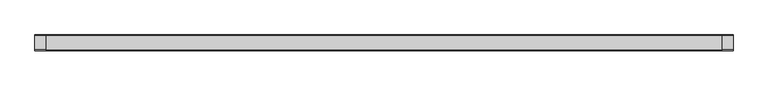
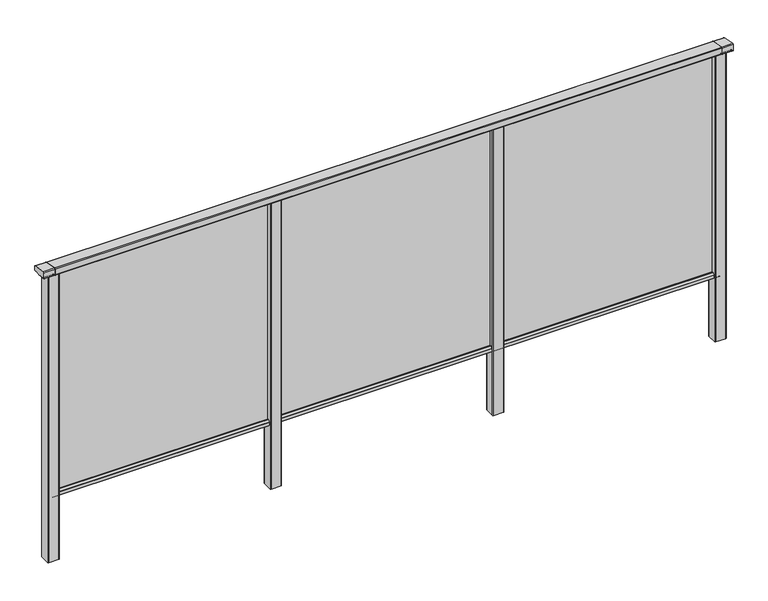
"""IFC4 building model written with IfcOpenShell, lengths in millimetres: railing geometry."""

from ifc_helpers import new_model, si_unit, point, frame, frame_2d, origin, place, context, project, spatial, polyline, circle_curve, trimmed, segment, composite_curve, outline, extrude, source, transform, mapped, element, save
from ifc_brep_helpers import plane_surface, cylinder_surface, advanced_brep


def railing_db9c48e4(model_context):
    return source(origin(), model_context, "Body", "SolidModel", [
        extrude(outline(composite_curve([segment(polyline([(8429.3630551, 1199.9544233), (8493.3630551, 1188.6694965)]), True, "CONTINUOUS"), segment(trimmed(circle_curve(frame_2d((8492.8421106, 1185.7150732)), 3.0), [point((8493.3630551, 1188.6694965))], [point((8495.8421106, 1185.7150732))], False, "CARTESIAN"), True, "CONTINUOUS"), segment(polyline([(8495.8421106, 1185.7150732), (8495.8421106, 1169.2)]), True, "CONTINUOUS"), segment(trimmed(circle_curve(frame_2d((8492.8421106, 1169.2)), 3.0), [point((8495.8421106, 1169.2))], [point((8492.8421106, 1166.2))], False, "CARTESIAN"), True, "CONTINUOUS"), segment(polyline([(8492.8421106, 1166.2), (8469.17694, 1166.2)]), True, "CONTINUOUS"), segment(trimmed(circle_curve(frame_2d((8460.8500931, 1183.2818957)), 19.003356), [point((8469.17694, 1166.2))], [point((8452.5232463, 1166.2))], False, "CARTESIAN"), True, "CONTINUOUS"), segment(polyline([(8452.5232463, 1166.2), (8428.8421106, 1166.2)]), True, "CONTINUOUS"), segment(trimmed(circle_curve(frame_2d((8428.8421106, 1169.2)), 3.0), [point((8428.8421106, 1166.2))], [point((8425.8421106, 1169.2))], False, "CARTESIAN"), True, "CONTINUOUS"), segment(polyline([(8425.8421106, 1169.2), (8425.8421106, 1197.0)]), True, "CONTINUOUS"), segment(trimmed(circle_curve(frame_2d((8428.8421106, 1197.0)), 3.0), [point((8425.8421106, 1197.0))], [point((8429.3630551, 1199.9544233))], False, "CARTESIAN"), True, "CONTINUOUS")], self_intersect=False)), frame((-428.6053075, 0.0, 0.0), z_axis=(1.0, 0.0, 0.0), x_axis=(0.0, 1.0, 0.0)), (0.0, 0.0, 1.0), 3000.0),
        extrude(outline(composite_curve([segment(polyline([(8476.5508136, 100.0), (8445.1507946, 100.0)]), True, "CONTINUOUS"), segment(trimmed(circle_curve(frame_2d((8445.1507946, 101.8)), 1.8), [point((8445.1507946, 100.0))], [point((8443.3507946, 101.8))], False, "CARTESIAN"), True, "CONTINUOUS"), segment(polyline([(8443.3507946, 101.8), (8443.3507946, 115.5269955)]), True, "CONTINUOUS"), segment(trimmed(circle_curve(frame_2d((8445.1507946, 115.5269955)), 1.8), [point((8443.3507946, 115.5269955))], [point((8443.7923399, 116.7079277))], False, "CARTESIAN"), True, "CONTINUOUS"), segment(polyline([(8443.7923399, 116.7079277), (8450.4626384, 124.3809322)]), True, "CONTINUOUS"), segment(trimmed(circle_curve(frame_2d((8451.8210931, 123.2)), 1.8), [point((8450.4626384, 124.3809322))], [point((8451.8210931, 125.0))], False, "CARTESIAN"), True, "CONTINUOUS"), segment(polyline([(8451.8210931, 125.0), (8455.5111113, 125.0), (8456.809143, 113.0), (8464.8924411, 113.0), (8466.1904978, 125.0), (8469.88054, 125.0)]), True, "CONTINUOUS"), segment(trimmed(circle_curve(frame_2d((8469.88054, 123.2)), 1.8), [point((8469.88054, 125.0))], [point((8471.2389969, 124.3809297))], False, "CARTESIAN"), True, "CONTINUOUS"), segment(polyline([(8471.2389969, 124.3809297), (8477.9092704, 116.7079252)]), True, "CONTINUOUS"), segment(trimmed(circle_curve(frame_2d((8476.5508136, 115.5269955)), 1.8), [point((8477.9092704, 116.7079252))], [point((8478.3508136, 115.5269955))], False, "CARTESIAN"), True, "CONTINUOUS"), segment(polyline([(8478.3508136, 115.5269955), (8478.3508136, 101.8)]), True, "CONTINUOUS"), segment(trimmed(circle_curve(frame_2d((8476.5508136, 101.8)), 1.8), [point((8478.3508136, 101.8))], [point((8476.5508136, 100.0))], False, "CARTESIAN"), True, "CONTINUOUS")], self_intersect=False)), frame((-428.6053075, 0.0, 0.0), z_axis=(1.0, 0.0, 0.0), x_axis=(0.0, 1.0, 0.0)), (0.0, 0.0, 1.0), 3000.0),
        extrude(outline(polyline([(-428.6053075, 8458.8508041), (-428.6053075, 8462.8508041), (2571.3946925, 8462.8508041), (2571.3946925, 8458.8508041), (-428.6053075, 8458.8508041)])), frame((0.0, 0.0, 100.0), z_axis=(0.0, 0.0, 1.0), x_axis=(1.0, 0.0, 0.0)), (0.0, 0.0, 1.0), 1070.0),
        extrude(outline(composite_curve([segment(trimmed(circle_curve(frame_2d((1593.7947043, 8483.2508153)), 3.0), [point((1593.794704, 8486.2508153))], [point((1596.7947043, 8483.2508156))], False, "CARTESIAN"), True, "CONTINUOUS"), segment(polyline([(1596.7947043, 8483.2508156), (1596.7947083, 8438.4507926)]), True, "CONTINUOUS"), segment(trimmed(circle_curve(frame_2d((1593.7947083, 8438.4507923)), 3.0), [point((1596.7947083, 8438.4507926))], [point((1593.7947086, 8435.4507923))], False, "CARTESIAN"), True, "CONTINUOUS"), segment(polyline([(1593.7947086, 8435.4507923), (1548.9946856, 8435.4507883)]), True, "CONTINUOUS"), segment(trimmed(circle_curve(frame_2d((1548.9946853, 8438.4507883)), 3.0), [point((1548.9946856, 8435.4507883))], [point((1545.9946853, 8438.450788))], False, "CARTESIAN"), True, "CONTINUOUS"), segment(polyline([(1545.9946853, 8438.450788), (1545.9946813, 8483.250811)]), True, "CONTINUOUS"), segment(trimmed(circle_curve(frame_2d((1548.9946813, 8483.2508113)), 3.0), [point((1545.9946813, 8483.250811))], [point((1548.994681, 8486.2508113))], False, "CARTESIAN"), True, "CONTINUOUS"), segment(polyline([(1548.994681, 8486.2508113), (1593.794704, 8486.2508153)]), True, "CONTINUOUS")], self_intersect=False)), frame((0.0, 0.0, -198.0), z_axis=(0.0, 0.0, 1.0), x_axis=(1.0, 0.0, 0.0)), (0.0, 0.0, 1.0), 1362.2785397),
        extrude(outline(composite_curve([segment(trimmed(circle_curve(frame_2d((593.7947043, 8483.2508153)), 3.0), [point((593.794704, 8486.2508153))], [point((596.7947043, 8483.2508156))], False, "CARTESIAN"), True, "CONTINUOUS"), segment(polyline([(596.7947043, 8483.2508156), (596.7947083, 8438.4507926)]), True, "CONTINUOUS"), segment(trimmed(circle_curve(frame_2d((593.7947083, 8438.4507923)), 3.0), [point((596.7947083, 8438.4507926))], [point((593.7947086, 8435.4507923))], False, "CARTESIAN"), True, "CONTINUOUS"), segment(polyline([(593.7947086, 8435.4507923), (548.9946856, 8435.4507883)]), True, "CONTINUOUS"), segment(trimmed(circle_curve(frame_2d((548.9946853, 8438.4507883)), 3.0), [point((548.9946856, 8435.4507883))], [point((545.9946853, 8438.450788))], False, "CARTESIAN"), True, "CONTINUOUS"), segment(polyline([(545.9946853, 8438.450788), (545.9946813, 8483.250811)]), True, "CONTINUOUS"), segment(trimmed(circle_curve(frame_2d((548.9946813, 8483.2508113)), 3.0), [point((545.9946813, 8483.250811))], [point((548.994681, 8486.2508113))], False, "CARTESIAN"), True, "CONTINUOUS"), segment(polyline([(548.994681, 8486.2508113), (593.794704, 8486.2508153)]), True, "CONTINUOUS")], self_intersect=False)), frame((0.0, 0.0, -198.0), z_axis=(0.0, 0.0, 1.0), x_axis=(1.0, 0.0, 0.0)), (0.0, 0.0, 1.0), 1362.2785397),
        extrude(outline(composite_curve([segment(trimmed(circle_curve(frame_2d((2593.7947043, 8483.2508153)), 3.0), [point((2593.794704, 8486.2508153))], [point((2596.7947043, 8483.2508156))], False, "CARTESIAN"), True, "CONTINUOUS"), segment(polyline([(2596.7947043, 8483.2508156), (2596.7947083, 8438.4507926)]), True, "CONTINUOUS"), segment(trimmed(circle_curve(frame_2d((2593.7947083, 8438.4507923)), 3.0), [point((2596.7947083, 8438.4507926))], [point((2593.7947086, 8435.4507923))], False, "CARTESIAN"), True, "CONTINUOUS"), segment(polyline([(2593.7947086, 8435.4507923), (2548.9946856, 8435.4507883)]), True, "CONTINUOUS"), segment(trimmed(circle_curve(frame_2d((2548.9946853, 8438.4507883)), 3.0), [point((2548.9946856, 8435.4507883))], [point((2545.9946853, 8438.450788))], False, "CARTESIAN"), True, "CONTINUOUS"), segment(polyline([(2545.9946853, 8438.450788), (2545.9946813, 8483.250811)]), True, "CONTINUOUS"), segment(trimmed(circle_curve(frame_2d((2548.9946813, 8483.2508113)), 3.0), [point((2545.9946813, 8483.250811))], [point((2548.994681, 8486.2508113))], False, "CARTESIAN"), True, "CONTINUOUS"), segment(polyline([(2548.994681, 8486.2508113), (2593.794704, 8486.2508153)]), True, "CONTINUOUS")], self_intersect=False)), frame((0.0, 0.0, -198.0), z_axis=(0.0, 0.0, 1.0), x_axis=(1.0, 0.0, 0.0)), (0.0, 0.0, 1.0), 1362.2785397),
        advanced_brep(
        [(2621.3946838, 8429.3630551, 1199.9544233), (2621.3946838, 8425.8421106, 1197.0), (2621.3946838, 8425.8421106, 1169.2), (2621.3946838, 8428.8421106, 1166.2), (2621.3946838, 8433.6920245, 1166.2), (2621.3946838, 8434.5830297, 1166.9730759), (2621.3946838, 8435.1561053, 1166.4000003), (2621.3946838, 8453.2660875, 1166.4000003), (2621.3946838, 8453.8619702, 1165.6106384), (2621.3946838, 8467.8416451, 1165.6114192), (2621.3946838, 8468.4355206, 1166.4000003), (2621.3946838, 8486.5960229, 1166.4000003), (2621.3946838, 8487.0960229, 1166.9000033), (2621.3946838, 8488.0249587, 1166.2), (2621.3946838, 8492.8421106, 1166.2), (2621.3946838, 8495.8421106, 1169.2), (2621.3946838, 8495.8421106, 1185.7150732), (2621.3946838, 8493.3630551, 1188.6694965), (2571.3946838, 8429.3630551, 1199.9544233), (2571.3946838, 8493.3630551, 1188.6694965), (2571.3946838, 8495.8421106, 1185.7150732), (2571.3946838, 8495.8421106, 1169.2), (2571.3946838, 8492.8421106, 1166.2), (2571.3946838, 8488.0249587, 1166.2), (2571.3946838, 8487.0960229, 1166.9000033), (2571.3946838, 8486.5960229, 1166.4000003), (2571.3946838, 8468.4355206, 1166.4000003), (2571.3946838, 8467.8416397, 1165.6114328), (2571.3946838, 8453.8585412, 1165.6114192), (2571.3946838, 8453.2660875, 1166.4000003), (2571.3946838, 8435.1561053, 1166.4000003), (2571.3946838, 8434.5830297, 1166.9730759), (2571.3946838, 8433.6920245, 1166.2), (2571.3946838, 8428.8421106, 1166.2), (2571.3946838, 8425.8421106, 1169.2), (2571.3946838, 8425.8421106, 1197.0)],
        [
            (0, 1, circle_curve(frame((2621.3946838, 8428.8421106, 1197.0), z_axis=(1.0, 0.0, 0.0), x_axis=(0.0, 0.17364817766704857, 0.9848077530121873)), 3.0)),
            (1, 2),
            (2, 3, circle_curve(frame((2621.3946838, 8428.8421106, 1169.2), z_axis=(1.0, 0.0, 0.0), x_axis=(0.0, -1.0, 0.0)), 3.0)),
            (3, 4),
            (4, 5, circle_curve(frame((2621.3946838, 8433.6920245, 1167.1), z_axis=(1.0, 0.0, 0.0), x_axis=(0.0, 0.0, -1.0)), 0.9)),
            (5, 6, circle_curve(frame((2621.3946838, 8435.1561053, 1166.9730759), z_axis=(1.0, 0.0, 0.0), x_axis=(0.0, -1.0, 0.0)), 0.5730756)),
            (6, 7),
            (7, 8, circle_curve(frame((2621.3946838, 8454.2114065, 1166.4940192), z_axis=(1.0, 0.0, 0.0), x_axis=(0.0, -1.0, 0.0)), 0.9499829)),
            (8, 9, circle_curve(frame((2621.3946838, 8460.8500931, 1183.2818957), z_axis=(1.0, 0.0, 0.0), x_axis=(0.0, -1.0, 0.0)), 19.003356)),
            (9, 10, circle_curve(frame((2621.3946838, 8467.4902016, 1166.4940192), z_axis=(1.0, 0.0, 0.0), x_axis=(0.0, 1.0, 0.0)), 0.9499829)),
            (10, 11),
            (11, 12, circle_curve(frame((2621.3946838, 8486.5960229, 1166.9000003), z_axis=(1.0, 0.0, 0.0), x_axis=(0.0, 0.0, -1.0)), 0.5)),
            (12, 13, circle_curve(frame((2621.3946838, 8488.0072204, 1167.1428319), z_axis=(1.0, 0.0, 0.0), x_axis=(0.0, -1.0, 0.0)), 0.9429987)),
            (13, 14),
            (14, 15, circle_curve(frame((2621.3946838, 8492.8421106, 1169.2), z_axis=(1.0, 0.0, 0.0), x_axis=(0.0, 0.0, -1.0)), 3.0)),
            (15, 16),
            (16, 17, circle_curve(frame((2621.3946838, 8492.8421106, 1185.7150732), z_axis=(1.0, 0.0, 0.0), x_axis=(0.0, 1.0, 0.0)), 3.0)),
            (17, 0),
            (18, 19),
            (19, 20, circle_curve(frame((2571.3946838, 8492.8421106, 1185.7150732), z_axis=(-1.0, 0.0, 0.0), x_axis=(0.0, 1.0, 0.0)), 3.0)),
            (20, 21),
            (21, 22, circle_curve(frame((2571.3946838, 8492.8421106, 1169.2), z_axis=(-1.0, 0.0, 0.0), x_axis=(0.0, 0.0, -1.0)), 3.0)),
            (22, 23),
            (23, 24, circle_curve(frame((2571.3946838, 8488.0072204, 1167.1428319), z_axis=(-1.0, 0.0, 0.0), x_axis=(0.0, -1.0, 0.0)), 0.9429987)),
            (24, 25, circle_curve(frame((2571.3946838, 8486.5960229, 1166.9000003), z_axis=(-1.0, 0.0, 0.0), x_axis=(0.0, 0.0, -1.0)), 0.5)),
            (25, 26),
            (26, 27, circle_curve(frame((2571.3946838, 8467.4902016, 1166.4940192), z_axis=(-1.0, 0.0, 0.0), x_axis=(0.0, 1.0, 0.0)), 0.9499829)),
            (27, 28, circle_curve(frame((2571.3946838, 8460.8500931, 1183.2818957), z_axis=(-1.0, 0.0, 0.0), x_axis=(0.0, -1.0, 0.0)), 19.003356)),
            (28, 29, circle_curve(frame((2571.3946838, 8454.2114065, 1166.4940192), z_axis=(-1.0, 0.0, 0.0), x_axis=(0.0, -1.0, 0.0)), 0.9499829)),
            (29, 30),
            (30, 31, circle_curve(frame((2571.3946838, 8435.1561053, 1166.9730759), z_axis=(-1.0, 0.0, 0.0), x_axis=(0.0, -1.0, 0.0)), 0.5730756)),
            (31, 32, circle_curve(frame((2571.3946838, 8433.6920245, 1167.1), z_axis=(-1.0, 0.0, 0.0), x_axis=(0.0, 0.0, -1.0)), 0.9)),
            (32, 33),
            (33, 34, circle_curve(frame((2571.3946838, 8428.8421106, 1169.2), z_axis=(-1.0, 0.0, 0.0), x_axis=(0.0, -1.0, 0.0)), 3.0)),
            (34, 35),
            (35, 18, circle_curve(frame((2571.3946838, 8428.8421106, 1197.0), z_axis=(-1.0, 0.0, 0.0), x_axis=(0.0, 0.17364817766704857, 0.9848077530121873)), 3.0)),
            (0, 18),
            (35, 1),
            (34, 2),
            (33, 3),
            (32, 4),
            (31, 5),
            (30, 6),
            (29, 7),
            (28, 8),
            (27, 9),
            (26, 10),
            (25, 11),
            (24, 12),
            (23, 13),
            (22, 14),
            (21, 15),
            (20, 16),
            (19, 17),
        ],
        [
            plane_surface(frame((2621.3946838, 8460.8508041, 1200.0), z_axis=(1.0, 0.0, 0.0), x_axis=(0.0, 1.0, 0.0))),
            plane_surface(frame((2571.3946838, 8460.8508041, 1200.0), z_axis=(-1.0, 0.0, 0.0), x_axis=(0.0, 1.0, 0.0))),
            cylinder_surface(frame((2621.3946838, 8428.8421106, 1197.0), z_axis=(1.0, 0.0, 0.0), x_axis=(0.0, 0.17364817766704857, 0.9848077530121873)), 3.0),
            plane_surface(frame((2621.3946838, 8425.8421106, 1197.0), z_axis=(0.0, -1.0, 0.0), x_axis=(-1.0, 0.0, 0.0))),
            cylinder_surface(frame((2621.3946838, 8428.8421106, 1169.2), z_axis=(1.0, 0.0, 0.0), x_axis=(0.0, -1.0, 0.0)), 3.0),
            plane_surface(frame((2621.3946838, 8428.8421106, 1166.2), z_axis=(0.0, 0.0, -1.0), x_axis=(-1.0, 0.0, 0.0))),
            cylinder_surface(frame((2621.3946838, 8433.6920245, 1167.1), z_axis=(1.0, 0.0, 0.0), x_axis=(0.0, 0.0, -1.0)), 0.9),
            cylinder_surface(frame((2621.3946838, 8435.1561053, 1166.9730759), z_axis=(1.0, 0.0, 0.0), x_axis=(0.0, -1.0, 0.0)), 0.5730756),
            plane_surface(frame((2621.3946838, 8435.1561053, 1166.4000003), z_axis=(0.0, 0.0, -1.0), x_axis=(-1.0, 0.0, 0.0))),
            cylinder_surface(frame((2621.3946838, 8454.2114065, 1166.4940192), z_axis=(1.0, 0.0, 0.0), x_axis=(0.0, -1.0, 0.0)), 0.9499829),
            cylinder_surface(frame((2621.3946838, 8460.8500931, 1183.2818957), z_axis=(1.0, 0.0, 0.0), x_axis=(0.0, -1.0, 0.0)), 19.003356),
            cylinder_surface(frame((2621.3946838, 8467.4902016, 1166.4940192), z_axis=(1.0, 0.0, 0.0), x_axis=(0.0, 1.0, 0.0)), 0.9499829),
            plane_surface(frame((2621.3946838, 8468.4355206, 1166.4000003), z_axis=(0.0, 0.0, -1.0), x_axis=(-1.0, 0.0, 0.0))),
            cylinder_surface(frame((2621.3946838, 8486.5960229, 1166.9000003), z_axis=(1.0, 0.0, 0.0), x_axis=(0.0, 0.0, -1.0)), 0.5),
            cylinder_surface(frame((2621.3946838, 8488.0072204, 1167.1428319), z_axis=(1.0, 0.0, 0.0), x_axis=(0.0, -1.0, 0.0)), 0.9429987),
            plane_surface(frame((2621.3946838, 8488.0249587, 1166.2), z_axis=(0.0, 0.0, -1.0), x_axis=(-1.0, 0.0, 0.0))),
            cylinder_surface(frame((2621.3946838, 8492.8421106, 1169.2), z_axis=(1.0, 0.0, 0.0), x_axis=(0.0, 0.0, -1.0)), 3.0),
            plane_surface(frame((2621.3946838, 8495.8421106, 1169.2), z_axis=(0.0, 1.0, 0.0), x_axis=(-1.0, 0.0, 0.0))),
            cylinder_surface(frame((2621.3946838, 8492.8421106, 1185.7150732), z_axis=(1.0, 0.0, 0.0), x_axis=(0.0, 1.0, 0.0)), 3.0),
            plane_surface(frame((2621.3946838, 8493.3630551, 1188.6694965), z_axis=(0.0, 0.1736481776669561, 0.9848077530122036), x_axis=(-1.0, 0.0, 0.0))),
        ],
        [
            (0, [[1, 2, 3, 4, 5, 6, 7, 8, 9, 10, 11, 12, 13, 14, 15, 16, 17, 18]]),
            (1, [[19, 20, 21, 22, 23, 24, 25, 26, 27, 28, 29, 30, 31, 32, 33, 34, 35, 36]]),
            (2, [[-1, 37, -36, 38]]),
            (3, [[-2, -38, -35, 39]]),
            (4, [[-3, -39, -34, 40]]),
            (5, [[-4, -40, -33, 41]]),
            (6, [[-5, -41, -32, 42]]),
            (7, [[-6, -42, -31, 43]]),
            (8, [[-7, -43, -30, 44]]),
            (9, [[-8, -44, -29, 45]]),
            (10, [[-9, -45, -28, 46]]),
            (11, [[-10, -46, -27, 47]]),
            (12, [[-11, -47, -26, 48]]),
            (13, [[-12, -48, -25, 49]]),
            (14, [[-13, -49, -24, 50]]),
            (15, [[-14, -50, -23, 51]]),
            (16, [[-15, -51, -22, 52]]),
            (17, [[-16, -52, -21, 53]]),
            (18, [[-17, -53, -20, 54]]),
            (19, [[-18, -54, -19, -37]]),
        ],
    ),
        extrude(outline(composite_curve([segment(trimmed(circle_curve(frame_2d((-406.2052957, 8483.2508153)), 3.0), [point((-406.205296, 8486.2508153))], [point((-403.2052957, 8483.2508156))], False, "CARTESIAN"), True, "CONTINUOUS"), segment(polyline([(-403.2052957, 8483.2508156), (-403.2052917, 8438.4507926)]), True, "CONTINUOUS"), segment(trimmed(circle_curve(frame_2d((-406.2052917, 8438.4507923)), 3.0), [point((-403.2052917, 8438.4507926))], [point((-406.2052914, 8435.4507923))], False, "CARTESIAN"), True, "CONTINUOUS"), segment(polyline([(-406.2052914, 8435.4507923), (-451.0053144, 8435.4507883)]), True, "CONTINUOUS"), segment(trimmed(circle_curve(frame_2d((-451.0053147, 8438.4507883)), 3.0), [point((-451.0053144, 8435.4507883))], [point((-454.0053147, 8438.450788))], False, "CARTESIAN"), True, "CONTINUOUS"), segment(polyline([(-454.0053147, 8438.450788), (-454.0053187, 8483.250811)]), True, "CONTINUOUS"), segment(trimmed(circle_curve(frame_2d((-451.0053187, 8483.2508113)), 3.0), [point((-454.0053187, 8483.250811))], [point((-451.005319, 8486.2508113))], False, "CARTESIAN"), True, "CONTINUOUS"), segment(polyline([(-451.005319, 8486.2508113), (-406.205296, 8486.2508153)]), True, "CONTINUOUS")], self_intersect=False)), frame((0.0, 0.0, -198.0), z_axis=(0.0, 0.0, 1.0), x_axis=(1.0, 0.0, 0.0)), (0.0, 0.0, 1.0), 1362.2785397),
        advanced_brep(
        [(-428.6053162, 8429.3630551, 1199.9544233), (-428.6053162, 8425.8421106, 1197.0), (-428.6053162, 8425.8421106, 1169.2), (-428.6053162, 8428.8421106, 1166.2), (-428.6053162, 8433.6920245, 1166.2), (-428.6053162, 8434.5830297, 1166.9730759), (-428.6053162, 8435.1561053, 1166.4000003), (-428.6053162, 8453.2660875, 1166.4000003), (-428.6053162, 8453.8619702, 1165.6106384), (-428.6053162, 8467.8416451, 1165.6114192), (-428.6053162, 8468.4355206, 1166.4000003), (-428.6053162, 8486.5960229, 1166.4000003), (-428.6053162, 8487.0960229, 1166.9000033), (-428.6053162, 8488.0249587, 1166.2), (-428.6053162, 8492.8421106, 1166.2), (-428.6053162, 8495.8421106, 1169.2), (-428.6053162, 8495.8421106, 1185.7150732), (-428.6053162, 8493.3630551, 1188.6694965), (-478.6053162, 8429.3630551, 1199.9544233), (-478.6053162, 8493.3630551, 1188.6694965), (-478.6053162, 8495.8421106, 1185.7150732), (-478.6053162, 8495.8421106, 1169.2), (-478.6053162, 8492.8421106, 1166.2), (-478.6053162, 8488.0249587, 1166.2), (-478.6053162, 8487.0960229, 1166.9000033), (-478.6053162, 8486.5960229, 1166.4000003), (-478.6053162, 8468.4355206, 1166.4000003), (-478.6053162, 8467.8416397, 1165.6114328), (-478.6053162, 8453.8585412, 1165.6114192), (-478.6053162, 8453.2660875, 1166.4000003), (-478.6053162, 8435.1561053, 1166.4000003), (-478.6053162, 8434.5830297, 1166.9730759), (-478.6053162, 8433.6920245, 1166.2), (-478.6053162, 8428.8421106, 1166.2), (-478.6053162, 8425.8421106, 1169.2), (-478.6053162, 8425.8421106, 1197.0)],
        [
            (0, 1, circle_curve(frame((-428.6053162, 8428.8421106, 1197.0), z_axis=(1.0, 0.0, 0.0), x_axis=(0.0, 0.17364817766704857, 0.9848077530121873)), 3.0)),
            (1, 2),
            (2, 3, circle_curve(frame((-428.6053162, 8428.8421106, 1169.2), z_axis=(1.0, 0.0, 0.0), x_axis=(0.0, -1.0, 0.0)), 3.0)),
            (3, 4),
            (4, 5, circle_curve(frame((-428.6053162, 8433.6920245, 1167.1), z_axis=(1.0, 0.0, 0.0), x_axis=(0.0, 0.0, -1.0)), 0.9)),
            (5, 6, circle_curve(frame((-428.6053162, 8435.1561053, 1166.9730759), z_axis=(1.0, 0.0, 0.0), x_axis=(0.0, -1.0, 0.0)), 0.5730756)),
            (6, 7),
            (7, 8, circle_curve(frame((-428.6053162, 8454.2114065, 1166.4940192), z_axis=(1.0, 0.0, 0.0), x_axis=(0.0, -1.0, 0.0)), 0.9499829)),
            (8, 9, circle_curve(frame((-428.6053162, 8460.8500931, 1183.2818957), z_axis=(1.0, 0.0, 0.0), x_axis=(0.0, -1.0, 0.0)), 19.003356)),
            (9, 10, circle_curve(frame((-428.6053162, 8467.4902016, 1166.4940192), z_axis=(1.0, 0.0, 0.0), x_axis=(0.0, 1.0, 0.0)), 0.9499829)),
            (10, 11),
            (11, 12, circle_curve(frame((-428.6053162, 8486.5960229, 1166.9000003), z_axis=(1.0, 0.0, 0.0), x_axis=(0.0, 0.0, -1.0)), 0.5)),
            (12, 13, circle_curve(frame((-428.6053162, 8488.0072204, 1167.1428319), z_axis=(1.0, 0.0, 0.0), x_axis=(0.0, -1.0, 0.0)), 0.9429987)),
            (13, 14),
            (14, 15, circle_curve(frame((-428.6053162, 8492.8421106, 1169.2), z_axis=(1.0, 0.0, 0.0), x_axis=(0.0, 0.0, -1.0)), 3.0)),
            (15, 16),
            (16, 17, circle_curve(frame((-428.6053162, 8492.8421106, 1185.7150732), z_axis=(1.0, 0.0, 0.0), x_axis=(0.0, 1.0, 0.0)), 3.0)),
            (17, 0),
            (18, 19),
            (19, 20, circle_curve(frame((-478.6053162, 8492.8421106, 1185.7150732), z_axis=(-1.0, 0.0, 0.0), x_axis=(0.0, 1.0, 0.0)), 3.0)),
            (20, 21),
            (21, 22, circle_curve(frame((-478.6053162, 8492.8421106, 1169.2), z_axis=(-1.0, 0.0, 0.0), x_axis=(0.0, 0.0, -1.0)), 3.0)),
            (22, 23),
            (23, 24, circle_curve(frame((-478.6053162, 8488.0072204, 1167.1428319), z_axis=(-1.0, 0.0, 0.0), x_axis=(0.0, -1.0, 0.0)), 0.9429987)),
            (24, 25, circle_curve(frame((-478.6053162, 8486.5960229, 1166.9000003), z_axis=(-1.0, 0.0, 0.0), x_axis=(0.0, 0.0, -1.0)), 0.5)),
            (25, 26),
            (26, 27, circle_curve(frame((-478.6053162, 8467.4902016, 1166.4940192), z_axis=(-1.0, 0.0, 0.0), x_axis=(0.0, 1.0, 0.0)), 0.9499829)),
            (27, 28, circle_curve(frame((-478.6053162, 8460.8500931, 1183.2818957), z_axis=(-1.0, 0.0, 0.0), x_axis=(0.0, -1.0, 0.0)), 19.003356)),
            (28, 29, circle_curve(frame((-478.6053162, 8454.2114065, 1166.4940192), z_axis=(-1.0, 0.0, 0.0), x_axis=(0.0, -1.0, 0.0)), 0.9499829)),
            (29, 30),
            (30, 31, circle_curve(frame((-478.6053162, 8435.1561053, 1166.9730759), z_axis=(-1.0, 0.0, 0.0), x_axis=(0.0, -1.0, 0.0)), 0.5730756)),
            (31, 32, circle_curve(frame((-478.6053162, 8433.6920245, 1167.1), z_axis=(-1.0, 0.0, 0.0), x_axis=(0.0, 0.0, -1.0)), 0.9)),
            (32, 33),
            (33, 34, circle_curve(frame((-478.6053162, 8428.8421106, 1169.2), z_axis=(-1.0, 0.0, 0.0), x_axis=(0.0, -1.0, 0.0)), 3.0)),
            (34, 35),
            (35, 18, circle_curve(frame((-478.6053162, 8428.8421106, 1197.0), z_axis=(-1.0, 0.0, 0.0), x_axis=(0.0, 0.17364817766704857, 0.9848077530121873)), 3.0)),
            (0, 18),
            (35, 1),
            (34, 2),
            (33, 3),
            (32, 4),
            (31, 5),
            (30, 6),
            (29, 7),
            (28, 8),
            (27, 9),
            (26, 10),
            (25, 11),
            (24, 12),
            (23, 13),
            (22, 14),
            (21, 15),
            (20, 16),
            (19, 17),
        ],
        [
            plane_surface(frame((-428.6053162, 8460.8508041, 1200.0), z_axis=(1.0, 0.0, 0.0), x_axis=(0.0, 1.0, 0.0))),
            plane_surface(frame((-478.6053162, 8460.8508041, 1200.0), z_axis=(-1.0, 0.0, 0.0), x_axis=(0.0, 1.0, 0.0))),
            cylinder_surface(frame((-428.6053162, 8428.8421106, 1197.0), z_axis=(1.0, 0.0, 0.0), x_axis=(0.0, 0.17364817766704857, 0.9848077530121873)), 3.0),
            plane_surface(frame((-428.6053162, 8425.8421106, 1197.0), z_axis=(0.0, -1.0, 0.0), x_axis=(-1.0, 0.0, 0.0))),
            cylinder_surface(frame((-428.6053162, 8428.8421106, 1169.2), z_axis=(1.0, 0.0, 0.0), x_axis=(0.0, -1.0, 0.0)), 3.0),
            plane_surface(frame((-428.6053162, 8428.8421106, 1166.2), z_axis=(0.0, 0.0, -1.0), x_axis=(-1.0, 0.0, 0.0))),
            cylinder_surface(frame((-428.6053162, 8433.6920245, 1167.1), z_axis=(1.0, 0.0, 0.0), x_axis=(0.0, 0.0, -1.0)), 0.9),
            cylinder_surface(frame((-428.6053162, 8435.1561053, 1166.9730759), z_axis=(1.0, 0.0, 0.0), x_axis=(0.0, -1.0, 0.0)), 0.5730756),
            plane_surface(frame((-428.6053162, 8435.1561053, 1166.4000003), z_axis=(0.0, 0.0, -1.0), x_axis=(-1.0, 0.0, 0.0))),
            cylinder_surface(frame((-428.6053162, 8454.2114065, 1166.4940192), z_axis=(1.0, 0.0, 0.0), x_axis=(0.0, -1.0, 0.0)), 0.9499829),
            cylinder_surface(frame((-428.6053162, 8460.8500931, 1183.2818957), z_axis=(1.0, 0.0, 0.0), x_axis=(0.0, -1.0, 0.0)), 19.003356),
            cylinder_surface(frame((-428.6053162, 8467.4902016, 1166.4940192), z_axis=(1.0, 0.0, 0.0), x_axis=(0.0, 1.0, 0.0)), 0.9499829),
            plane_surface(frame((-428.6053162, 8468.4355206, 1166.4000003), z_axis=(0.0, 0.0, -1.0), x_axis=(-1.0, 0.0, 0.0))),
            cylinder_surface(frame((-428.6053162, 8486.5960229, 1166.9000003), z_axis=(1.0, 0.0, 0.0), x_axis=(0.0, 0.0, -1.0)), 0.5),
            cylinder_surface(frame((-428.6053162, 8488.0072204, 1167.1428319), z_axis=(1.0, 0.0, 0.0), x_axis=(0.0, -1.0, 0.0)), 0.9429987),
            plane_surface(frame((-428.6053162, 8488.0249587, 1166.2), z_axis=(0.0, 0.0, -1.0), x_axis=(-1.0, 0.0, 0.0))),
            cylinder_surface(frame((-428.6053162, 8492.8421106, 1169.2), z_axis=(1.0, 0.0, 0.0), x_axis=(0.0, 0.0, -1.0)), 3.0),
            plane_surface(frame((-428.6053162, 8495.8421106, 1169.2), z_axis=(0.0, 1.0, 0.0), x_axis=(-1.0, 0.0, 0.0))),
            cylinder_surface(frame((-428.6053162, 8492.8421106, 1185.7150732), z_axis=(1.0, 0.0, 0.0), x_axis=(0.0, 1.0, 0.0)), 3.0),
            plane_surface(frame((-428.6053162, 8493.3630551, 1188.6694965), z_axis=(0.0, 0.1736481776669561, 0.9848077530122036), x_axis=(-1.0, 0.0, 0.0))),
        ],
        [
            (0, [[1, 2, 3, 4, 5, 6, 7, 8, 9, 10, 11, 12, 13, 14, 15, 16, 17, 18]]),
            (1, [[19, 20, 21, 22, 23, 24, 25, 26, 27, 28, 29, 30, 31, 32, 33, 34, 35, 36]]),
            (2, [[-1, 37, -36, 38]]),
            (3, [[-2, -38, -35, 39]]),
            (4, [[-3, -39, -34, 40]]),
            (5, [[-4, -40, -33, 41]]),
            (6, [[-5, -41, -32, 42]]),
            (7, [[-6, -42, -31, 43]]),
            (8, [[-7, -43, -30, 44]]),
            (9, [[-8, -44, -29, 45]]),
            (10, [[-9, -45, -28, 46]]),
            (11, [[-10, -46, -27, 47]]),
            (12, [[-11, -47, -26, 48]]),
            (13, [[-12, -48, -25, 49]]),
            (14, [[-13, -49, -24, 50]]),
            (15, [[-14, -50, -23, 51]]),
            (16, [[-15, -51, -22, 52]]),
            (17, [[-16, -52, -21, 53]]),
            (18, [[-17, -53, -20, 54]]),
            (19, [[-18, -54, -19, -37]]),
        ],
    ),
    ])


if __name__ == "__main__":
    model = new_model("IFC4")
    model_context = context("Model", 3, world=origin())
    ifc_project = project(units=[si_unit("LENGTHUNIT", "METRE", prefix="MILLI")], contexts=[model_context])
    site = spatial("IfcSite", under=ifc_project)
    building = spatial("IfcBuilding", under=site)
    placement = place(None, origin())
    railing_shape = railing_db9c48e4(model_context)
    element("IfcRailing", 1, at=placement, inside=building, context=model_context, shape_type="MappedRepresentation", body=[
        mapped(railing_shape, transform((0.0, 0.0, 0.0), x_axis=(1.0, 0.0, 0.0), y_axis=(0.0, 1.0, 0.0), z_axis=(0.0, 0.0, 1.0))),
    ])
    save(model, "model.ifc")
